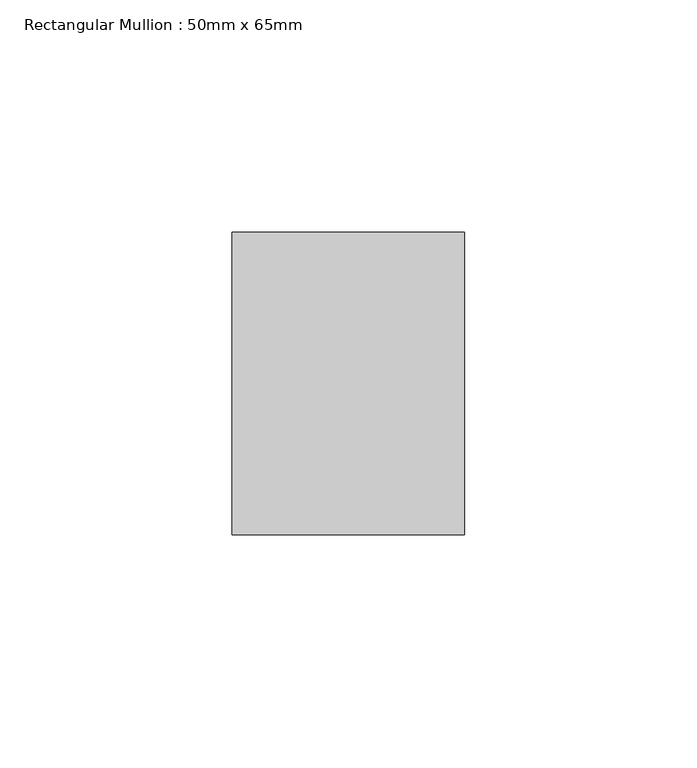
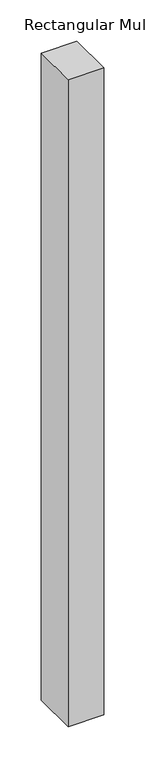
"""IFC4 building model written with IfcOpenShell, lengths in millimetres: member geometry, Rectangular Mullion : 50mm x 65mm."""

from ifc_helpers import new_model, si_unit, frame, origin, place, context, project, spatial, polyline, outline, extrude, source, transform, mapped, element, save


def rectangular_mullion_50mm_x_65mm_4c2b9d89(model_context):
    return source(origin(), model_context, "Body", "SweptSolid", [
        extrude(outline(polyline([(25.0, 32.5), (25.0, -32.5), (-25.0, -32.5), (-25.0, 32.5), (25.0, 32.5)])), frame((0.0, 0.0, -957.7640237), z_axis=(0.0, 0.0, 1.0), x_axis=(1.0, 0.0, 0.0)), (0.0, 0.0, 1.0), 957.7640237),
    ])


if __name__ == "__main__":
    model = new_model("IFC4")
    model_context = context("Model", 3, world=origin())
    ifc_project = project(units=[si_unit("LENGTHUNIT", "METRE", prefix="MILLI")], contexts=[model_context])
    site = spatial("IfcSite", under=ifc_project)
    building = spatial("IfcBuilding", under=site)
    placement = place(None, origin())
    rectangular_mullion_50mm_x_65mm_shape = rectangular_mullion_50mm_x_65mm_4c2b9d89(model_context)
    element("IfcMember", 1, ObjectType="Rectangular Mullion : 50mm x 65mm", at=placement, inside=building, context=model_context, shape_type="MappedRepresentation", body=[
        mapped(rectangular_mullion_50mm_x_65mm_shape, transform((0.0, 0.0, 0.0), x_axis=(1.0, 0.0, 0.0), y_axis=(0.0, 1.0, 0.0), z_axis=(0.0, 0.0, 1.0))),
    ])
    save(model, "model.ifc")
